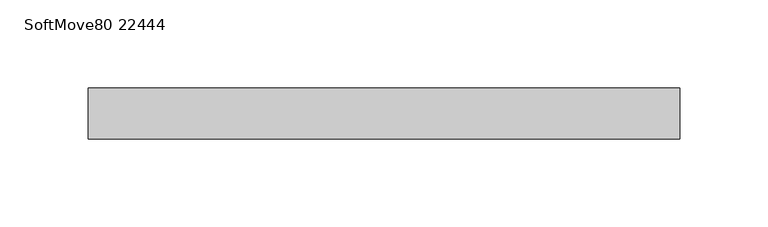
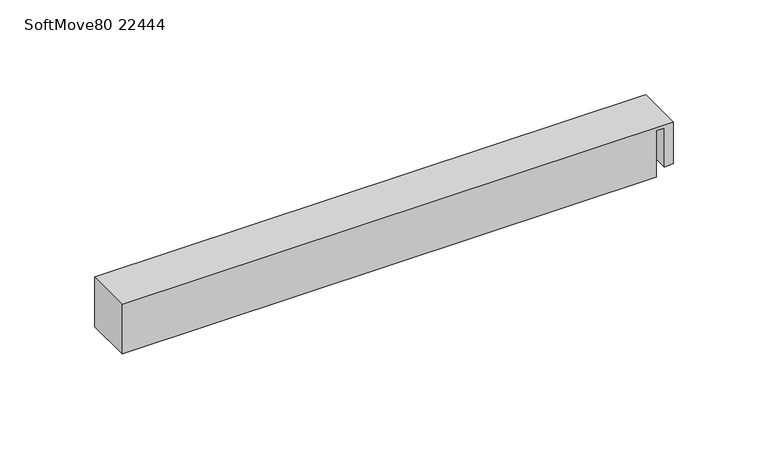
"""IFC4 building model written with IfcOpenShell, lengths in millimetres: proxy geometry, SoftMove80 22444."""

from ifc_helpers import new_model, si_unit, frame, origin, place, context, project, spatial, polyline, outline, extrude, source, transform, mapped, element, save


def softmove80_22444_3d599e94(model_context):
    return source(origin(), model_context, "Body", "SweptSolid", [
        extrude(outline(polyline([(32.1, -167.85), (0.0, -167.85), (0.0, 157.6), (30.1, 157.6), (30.1, 162.25), (5.1, 162.25), (5.1, 167.85), (32.1, 167.85), (32.1, -167.85)])), frame((0.0, -29.0, 0.0), z_axis=(0.0, 1.0, 0.0), x_axis=(0.0, 0.0, 1.0)), (0.0, 0.0, 1.0), 29.0),
    ])


if __name__ == "__main__":
    model = new_model("IFC4")
    model_context = context("Model", 3, world=origin())
    ifc_project = project(units=[si_unit("LENGTHUNIT", "METRE", prefix="MILLI")], contexts=[model_context])
    site = spatial("IfcSite", under=ifc_project)
    building = spatial("IfcBuilding", under=site)
    placement = place(None, origin())
    softmove80_22444_shape = softmove80_22444_3d599e94(model_context)
    element("IfcBuildingElementProxy", 1, Name="SoftMove80 22444", ObjectType="SoftMove80 22444", at=placement, inside=building, context=model_context, shape_type="MappedRepresentation", body=[
        mapped(softmove80_22444_shape, transform((0.0, 0.0, 0.0), x_axis=(1.0, 0.0, 0.0), y_axis=(0.0, 1.0, 0.0), z_axis=(0.0, 0.0, 1.0))),
    ])
    save(model, "model.ifc")
